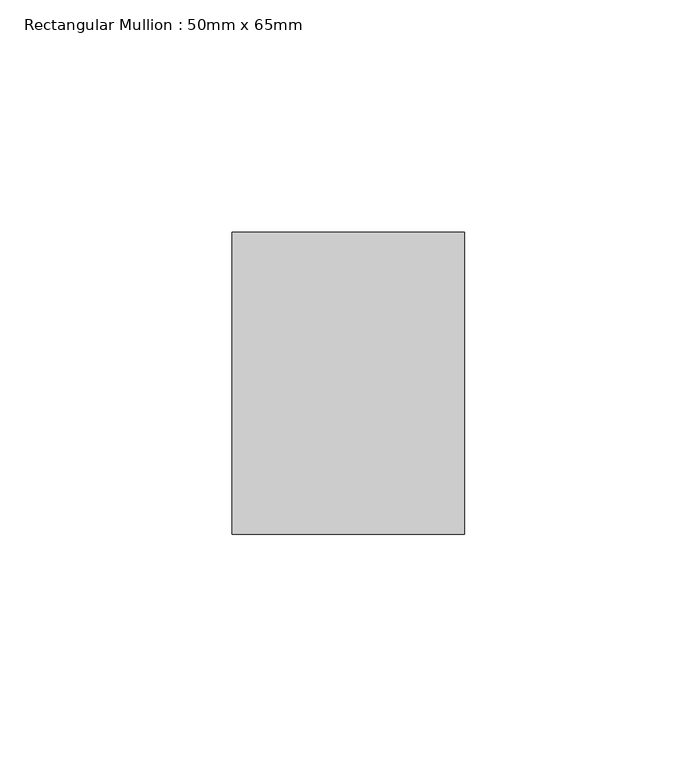
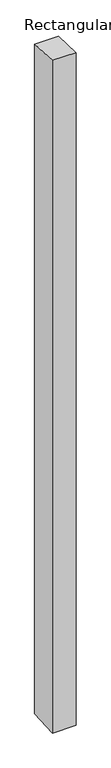
"""IFC4 building model written with IfcOpenShell, lengths in millimetres: member geometry, Rectangular Mullion : 50mm x 65mm."""

from ifc_helpers import new_model, si_unit, origin, place, context, project, spatial, faceted_brep, source, transform, mapped, element, save


def rectangular_mullion_50mm_x_65mm_52f85b0e(model_context):
    return source(origin(), model_context, "Body", "Brep", [
        faceted_brep([(-25.0, 32.5, -1.4676682), (25.0, 32.5, -1.467683), (25.0, 32.5, -1498.1019133), (-25.0, 32.5, -1498.1019326), (-25.0, -32.5, 1.467683), (-25.0, -32.5, -1501.8976766), (25.0, -32.5, 1.4676682), (25.0, -32.5, -1501.8976573)], [[[0, 1, 2, 3]], [[4, 0, 3, 5]], [[6, 4, 5, 7]], [[1, 6, 7, 2]], [[1, 0, 4, 6]], [[2, 7, 5, 3]]]),
    ])


if __name__ == "__main__":
    model = new_model("IFC4")
    model_context = context("Model", 3, world=origin())
    ifc_project = project(units=[si_unit("LENGTHUNIT", "METRE", prefix="MILLI")], contexts=[model_context])
    site = spatial("IfcSite", under=ifc_project)
    building = spatial("IfcBuilding", under=site)
    placement = place(None, origin())
    rectangular_mullion_50mm_x_65mm_shape = rectangular_mullion_50mm_x_65mm_52f85b0e(model_context)
    element("IfcMember", 1, ObjectType="Rectangular Mullion : 50mm x 65mm", at=placement, inside=building, context=model_context, shape_type="MappedRepresentation", body=[
        mapped(rectangular_mullion_50mm_x_65mm_shape, transform((0.0, 0.0, 0.0), x_axis=(1.0, 0.0, 0.0), y_axis=(0.0, 1.0, 0.0), z_axis=(0.0, 0.0, 1.0))),
    ])
    save(model, "model.ifc")
